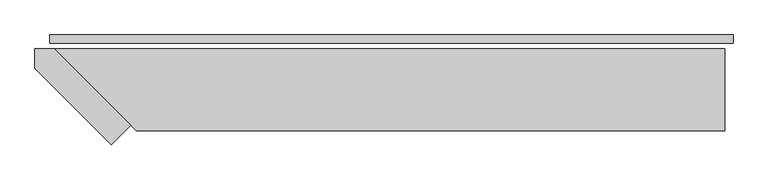
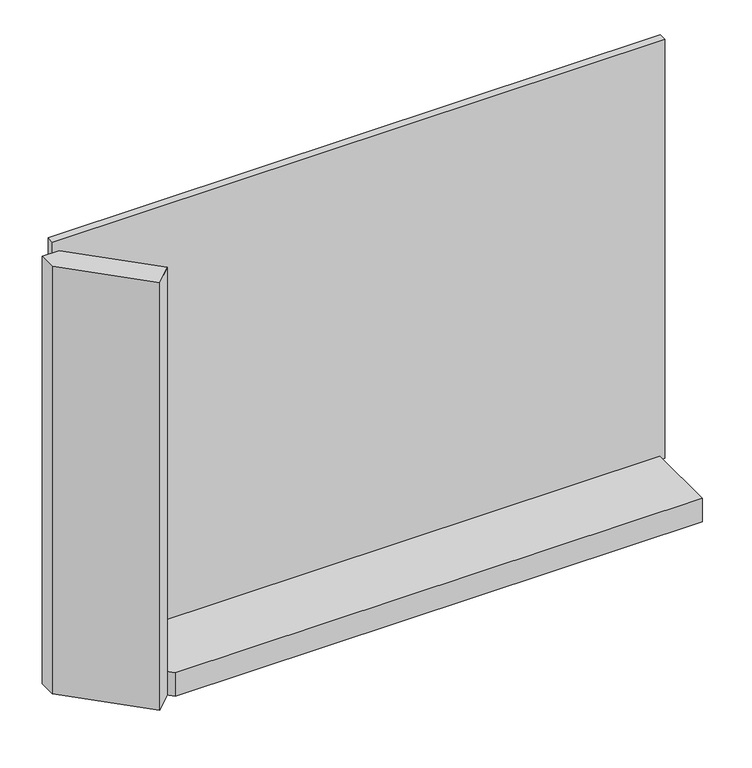
"""IFC4 building model written with IfcOpenShell, lengths in millimetres: plate geometry."""

from ifc_helpers import new_model, si_unit, frame, origin, origin_with_axes, place, context, project, spatial, polyline, outline, extrude, source, transform, mapped, element, save


def plate_4a94690d(model_context):
    return source(origin(), model_context, "Body", "SweptSolid", [
        extrude(outline(polyline([(1000.5, 0.0), (1000.5, -25.0), (-1000.5, -25.0), (-1000.5, 0.0), (1000.5, 0.0)])), origin_with_axes(), (0.0, 0.0, 1.0), 1447.534293),
        extrude(outline(polyline([(-763.5, -264.4314575), (-820.0685425, -321.0), (-1043.5, -97.5685425), (-1043.5, -41.0), (-986.9314575, -41.0), (-763.5, -264.4314575)])), frame((0.0, 0.0, -55.0), z_axis=(0.0, 0.0, 1.0), x_axis=(1.0, 0.0, 0.0)), (0.0, 0.0, 1.0), 1477.534293),
        extrude(outline(polyline([(975.5, -281.0), (-746.9314575, -281.0), (-986.9314575, -41.0), (975.5, -41.0), (975.5, -281.0)])), frame((0.0, 0.0, -55.0), z_axis=(0.0, 0.0, 1.0), x_axis=(1.0, 0.0, 0.0)), (0.0, 0.0, 1.0), 80.0),
    ])


if __name__ == "__main__":
    model = new_model("IFC4")
    model_context = context("Model", 3, world=origin())
    ifc_project = project(units=[si_unit("LENGTHUNIT", "METRE", prefix="MILLI")], contexts=[model_context])
    site = spatial("IfcSite", under=ifc_project)
    building = spatial("IfcBuilding", under=site)
    placement = place(None, origin())
    plate_shape = plate_4a94690d(model_context)
    element("IfcPlate", 1, at=placement, inside=building, context=model_context, shape_type="MappedRepresentation", body=[
        mapped(plate_shape, transform((0.0, 0.0, 0.0), x_axis=(1.0, 0.0, 0.0), y_axis=(0.0, 1.0, 0.0), z_axis=(0.0, 0.0, 1.0))),
    ])
    save(model, "model.ifc")
